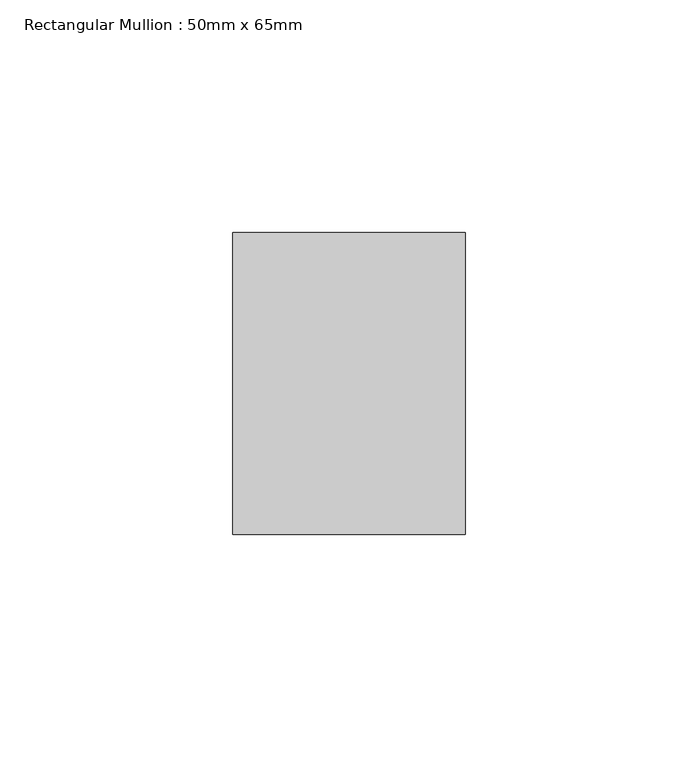
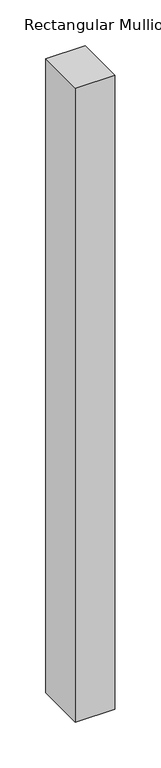
"""IFC4 building model written with IfcOpenShell, lengths in millimetres: member geometry, Rectangular Mullion : 50mm x 65mm."""

from ifc_helpers import new_model, si_unit, frame, origin, place, context, project, spatial, polyline, outline, extrude, source, transform, mapped, element, save


def rectangular_mullion_50mm_x_65mm_0bf565b8(model_context):
    return source(origin(), model_context, "Body", "SweptSolid", [
        extrude(outline(polyline([(25.0, 32.5), (25.0, -32.5), (-25.0, -32.5), (-25.0, 32.5), (25.0, 32.5)])), frame((0.0, 0.0, -846.7247587), z_axis=(0.0, 0.0, 1.0), x_axis=(1.0, 0.0, 0.0)), (0.0, 0.0, 1.0), 846.7247587),
    ])


if __name__ == "__main__":
    model = new_model("IFC4")
    model_context = context("Model", 3, world=origin())
    ifc_project = project(units=[si_unit("LENGTHUNIT", "METRE", prefix="MILLI")], contexts=[model_context])
    site = spatial("IfcSite", under=ifc_project)
    building = spatial("IfcBuilding", under=site)
    placement = place(None, origin())
    rectangular_mullion_50mm_x_65mm_shape = rectangular_mullion_50mm_x_65mm_0bf565b8(model_context)
    element("IfcMember", 1, ObjectType="Rectangular Mullion : 50mm x 65mm", at=placement, inside=building, context=model_context, shape_type="MappedRepresentation", body=[
        mapped(rectangular_mullion_50mm_x_65mm_shape, transform((0.0, 0.0, 0.0), x_axis=(1.0, 0.0, 0.0), y_axis=(0.0, 1.0, 0.0), z_axis=(0.0, 0.0, 1.0))),
    ])
    save(model, "model.ifc")
